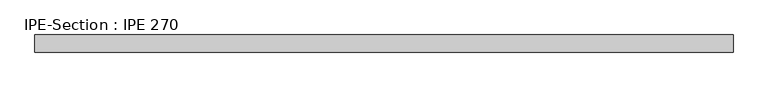
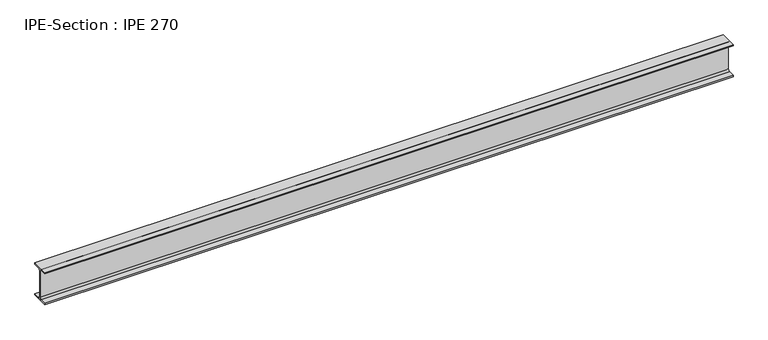
"""IFC4 building model written with IfcOpenShell, lengths in millimetres: beam geometry, IPE-Section : IPE 270."""

import ifcopenshell
import ifcopenshell.guid

model = None  # the IFC model being written
_history = None  # IfcOwnerHistory: only IFC2X3 demands one
_inside = {}  # id of a spatial element -> (the spatial element, [elements in it])
_under = {}  # id of a project, library or spatial element -> (it, [spatial elements below it])
_declared = {}  # id of a project -> (the project, [libraries it declares])
_typed = {}  # id of a type object -> (the type object, [elements of that type])
_made_of = {}  # id of a material, layer set ... -> (it, [elements and type objects made of it])


def new_model(schema):
    """Start an empty IFC model of exactly this schema.

    Asked for "IFC4X3", IfcOpenShell would pick the latest addendum, in which some entities
    have other attributes; the version numbers below select the first issue.
    IFC2X3 requires an IfcOwnerHistory on every rooted entity: one is made here for all.
    """
    global model, _history
    if schema == "IFC4X3":
        model = ifcopenshell.file(schema_version=(4, 3, 0, 0))
    else:
        model = ifcopenshell.file(schema=schema)
    _inside.clear()
    _under.clear()
    _declared.clear()
    _typed.clear()
    _made_of.clear()
    _history = None
    if model.schema == "IFC2X3":
        org = make("IfcOrganization", Name="unknown")
        user = make(
            "IfcPersonAndOrganization",
            ThePerson=make("IfcPerson", FamilyName="unknown"),
            TheOrganization=org,
        )
        app = make(
            "IfcApplication",
            ApplicationDeveloper=org,
            Version="unknown",
            ApplicationFullName="unknown",
            ApplicationIdentifier="unknown",
        )
        _history = make(
            "IfcOwnerHistory",
            OwningUser=user,
            OwningApplication=app,
            ChangeAction="ADDED",
            CreationDate=0,
        )
    return model


def make(cls, **values):
    """One entity of the class cls with the attributes given. An attribute that is None is left unset."""
    return model.create_entity(
        cls, **{name: value for name, value in values.items() if value is not None}
    )


def rooted(cls, **values):
    """An entity with a GlobalId (a new one), such as an element, a storey or a relation."""
    return make(cls, GlobalId=ifcopenshell.guid.new(), OwnerHistory=_history, **values)


def si_unit(unit_type, name, prefix=None):
    """IfcSIUnit, for example si_unit("LENGTHUNIT", "METRE", prefix="MILLI")."""
    return make("IfcSIUnit", UnitType=unit_type, Prefix=prefix, Name=name)


def assignment(units):
    """IfcUnitAssignment: the units of a project."""
    return None if units is None else make("IfcUnitAssignment", Units=units)


def point(xyz):
    """IfcCartesianPoint."""
    return None if xyz is None else make("IfcCartesianPoint", Coordinates=xyz)


def direction(xyz):
    """IfcDirection."""
    return None if xyz is None else make("IfcDirection", DirectionRatios=xyz)


def frame(location, z_axis=None, x_axis=None):
    """IfcAxis2Placement3D, a coordinate frame: its origin and axes. An axis left out is left unset."""
    return make(
        "IfcAxis2Placement3D",
        Location=point(location),
        Axis=direction(z_axis),
        RefDirection=direction(x_axis),
    )


def frame_2d(location, x_axis=None):
    """IfcAxis2Placement2D, a coordinate frame in the plane: its origin and x axis."""
    return make(
        "IfcAxis2Placement2D", Location=point(location), RefDirection=direction(x_axis)
    )


def origin():
    """The frame at (0, 0, 0) with its axes left unset."""
    return frame((0.0, 0.0, 0.0))


def place(relative_to, where):
    """IfcLocalPlacement: puts the frame where relative to a parent placement (None: the world)."""
    return make(
        "IfcLocalPlacement", PlacementRelTo=relative_to, RelativePlacement=where
    )


def context(
    kind, dimensions, precision=None, world=None, true_north=None, identifier=None
):
    """IfcGeometricRepresentationContext, for example the 3D "Model" context."""
    return make(
        "IfcGeometricRepresentationContext",
        ContextIdentifier=identifier,
        ContextType=kind,
        CoordinateSpaceDimension=dimensions,
        Precision=precision,
        WorldCoordinateSystem=world,
        TrueNorth=true_north,
    )


def project(units=None, contexts=None):
    """IfcProject with its units and contexts."""
    return rooted(
        "IfcProject",
        Name="project",
        RepresentationContexts=contexts,
        UnitsInContext=assignment(units),
    )


def spatial(cls, under=None, at=None, **own):
    """A site, building, storey or space (cls), placed at a placement, below another one or the project."""
    s = rooted(cls, ObjectPlacement=at, **own)
    if under is not None:
        _under.setdefault(under.id(), (under, []))[1].append(s)
    return s


def polyline(points):
    """IfcPolyline through the points."""
    return make("IfcPolyline", Points=[point(p) for p in points])


def circle_curve(where, radius):
    """IfcCircle in the frame where."""
    return make("IfcCircle", Position=where, Radius=radius)


def trimmed(basis, trim1, trim2, sense, master):
    """IfcTrimmedCurve: the piece of a basis curve between two trims."""
    return make(
        "IfcTrimmedCurve",
        BasisCurve=basis,
        Trim1=trim1,
        Trim2=trim2,
        SenseAgreement=sense,
        MasterRepresentation=master,
    )


def segment(curve, same_sense, transition):
    """IfcCompositeCurveSegment."""
    return make(
        "IfcCompositeCurveSegment",
        Transition=transition,
        SameSense=same_sense,
        ParentCurve=curve,
    )


def composite_curve(segments, self_intersect=None):
    """IfcCompositeCurve: segments joined end to end."""
    return make("IfcCompositeCurve", Segments=segments, SelfIntersect=self_intersect)


def outline(outer, holes=None, kind="AREA"):
    """IfcArbitraryClosedProfileDef: a profile drawn as a closed curve; with holes, ...WithVoids."""
    if holes is None:
        return make("IfcArbitraryClosedProfileDef", ProfileType=kind, OuterCurve=outer)
    return make(
        "IfcArbitraryProfileDefWithVoids",
        ProfileType=kind,
        OuterCurve=outer,
        InnerCurves=holes,
    )


def extrude(swept, where, along, depth):
    """IfcExtrudedAreaSolid: the profile swept, set in the frame where, extruded along a direction by depth."""
    return make(
        "IfcExtrudedAreaSolid",
        SweptArea=swept,
        Position=where,
        ExtrudedDirection=direction(along),
        Depth=depth,
    )


def shape(context_of_items, identifier, shape_type, items):
    """IfcShapeRepresentation: the items that make up one representation, for example the "Body"."""
    return make(
        "IfcShapeRepresentation",
        ContextOfItems=context_of_items,
        RepresentationIdentifier=identifier,
        RepresentationType=shape_type,
        Items=items,
    )


def source(mapping_origin, context_of_items, identifier, shape_type, items):
    """IfcRepresentationMap: a shape defined once, which mapped items show again and again."""
    return make(
        "IfcRepresentationMap",
        MappingOrigin=mapping_origin,
        MappedRepresentation=shape(context_of_items, identifier, shape_type, items),
    )


def transform(
    local_origin,
    x_axis=None,
    y_axis=None,
    z_axis=None,
    scale=None,
    scale2=None,
    scale3=None,
    uniform=True,
):
    """IfcCartesianTransformationOperator3D, or its non-uniform kind. x_axis, y_axis, z_axis: its Axis1, 2, 3."""
    if uniform:
        return make(
            "IfcCartesianTransformationOperator3D",
            Axis1=direction(x_axis),
            Axis2=direction(y_axis),
            LocalOrigin=point(local_origin),
            Scale=scale,
            Axis3=direction(z_axis),
        )
    return make(
        "IfcCartesianTransformationOperator3DnonUniform",
        Axis1=direction(x_axis),
        Axis2=direction(y_axis),
        LocalOrigin=point(local_origin),
        Scale=scale,
        Axis3=direction(z_axis),
        Scale2=scale2,
        Scale3=scale3,
    )


def mapped(mapping_source, mapping_target):
    """IfcMappedItem: shows the shape of a source again, moved by a transform."""
    return make(
        "IfcMappedItem", MappingSource=mapping_source, MappingTarget=mapping_target
    )


def made_of(thing, what):
    """Note that an element or type object is made of a material, layer set ...; save() writes the relation."""
    if what is not None:
        _made_of.setdefault(what.id(), (what, []))[1].append(thing)
    return thing


def element(
    cls,
    number,
    at=None,
    inside=None,
    cuts=None,
    type_object=None,
    material=None,
    context=None,
    identifier="Body",
    shape_type=None,
    held_by="IfcProductDefinitionShape",
    body=None,
    shapes=None,
    **own,
):
    """One element of the class cls, such as IfcWall. Its Tag is "e" and its number.

    at: its placement. inside: the storey or other place that contains it. cuts: it is an
    opening in that element (IfcRelVoidsElement). A single representation is given by context,
    identifier, shape_type and body (its items); several are given by shapes. held_by: the class
    of the entity that holds the representations. save() writes the other relations.
    """
    e = rooted(cls, Tag="e%d" % number, ObjectPlacement=at, **own)
    if body is not None:
        shapes = [shape(context, identifier, shape_type, body)]
    if shapes is not None:
        e.Representation = make(held_by, Representations=shapes)
    if inside is not None:
        _inside.setdefault(inside.id(), (inside, []))[1].append(e)
    if cuts is not None:
        rooted(
            "IfcRelVoidsElement", RelatingBuildingElement=cuts, RelatedOpeningElement=e
        )
    if type_object is not None:
        _typed.setdefault(type_object.id(), (type_object, []))[1].append(e)
    return made_of(e, material)


def aggregate(whole, parts):
    """IfcRelAggregates: a whole, such as a stair, and the parts it consists of."""
    return rooted("IfcRelAggregates", RelatingObject=whole, RelatedObjects=parts)


def save(model, path):
    """Write the relations noted so far, then the file.

    IfcRelAggregates (storeys below a building ...), IfcRelContainedInSpatialStructure (elements
    in a storey), IfcRelDefinesByType, IfcRelAssociatesMaterial and IfcRelDeclares: one each for
    every whole, place, type object, material and project.
    """
    for whole, parts in _under.values():
        aggregate(whole, parts)
    for where, things in _inside.values():
        rooted(
            "IfcRelContainedInSpatialStructure",
            RelatedElements=things,
            RelatingStructure=where,
        )
    for kind, things in _typed.values():
        rooted("IfcRelDefinesByType", RelatedObjects=things, RelatingType=kind)
    for what, things in _made_of.values():
        rooted("IfcRelAssociatesMaterial", RelatedObjects=things, RelatingMaterial=what)
    for by, libraries in _declared.values():
        rooted("IfcRelDeclares", RelatingContext=by, RelatedDefinitions=libraries)
    model.write(path)


def ipe_section_ipe_270_90edaeb3(model_context):
    return source(origin(), model_context, "Body", "SweptSolid", [
        extrude(outline(composite_curve([segment(polyline([(-67.5, -124.8), (-18.3, -124.8)]), True, "CONTINUOUS"), segment(trimmed(circle_curve(frame_2d((-18.3, -109.8)), 15.0), [point((-18.3, -124.8))], [point((-3.3, -109.8))], True, "CARTESIAN"), True, "CONTINUOUS"), segment(polyline([(-3.3, -109.8), (-3.3, 109.8)]), True, "CONTINUOUS"), segment(trimmed(circle_curve(frame_2d((-18.3, 109.8)), 15.0), [point((-3.3, 109.8))], [point((-18.3, 124.8))], True, "CARTESIAN"), True, "CONTINUOUS"), segment(polyline([(-18.3, 124.8), (-67.5, 124.8), (-67.5, 135.0), (67.5, 135.0), (67.5, 124.8), (18.3, 124.8)]), True, "CONTINUOUS"), segment(trimmed(circle_curve(frame_2d((18.3, 109.8)), 15.0), [point((18.3, 124.8))], [point((3.3, 109.8))], True, "CARTESIAN"), True, "CONTINUOUS"), segment(polyline([(3.3, 109.8), (3.3, -109.8)]), True, "CONTINUOUS"), segment(trimmed(circle_curve(frame_2d((18.3, -109.8)), 15.0), [point((3.3, -109.8))], [point((18.3, -124.8))], True, "CARTESIAN"), True, "CONTINUOUS"), segment(polyline([(18.3, -124.8), (67.5, -124.8), (67.5, -135.0), (-67.5, -135.0), (-67.5, -124.8)]), True, "CONTINUOUS")], self_intersect=False)), frame((-2743.9706769, 0.0, 0.0), z_axis=(1.0, 0.0, 0.0), x_axis=(0.0, 1.0, 0.0)), (0.0, 0.0, 1.0), 5487.9413538),
    ])


if __name__ == "__main__":
    model = new_model("IFC4")
    model_context = context("Model", 3, world=origin())
    ifc_project = project(units=[si_unit("LENGTHUNIT", "METRE", prefix="MILLI")], contexts=[model_context])
    site = spatial("IfcSite", under=ifc_project)
    building = spatial("IfcBuilding", under=site)
    placement = place(None, origin())
    ipe_section_ipe_270_shape = ipe_section_ipe_270_90edaeb3(model_context)
    element("IfcBeam", 1, ObjectType="IPE-Section : IPE 270", at=placement, inside=building, context=model_context, shape_type="MappedRepresentation", body=[
        mapped(ipe_section_ipe_270_shape, transform((0.0, 0.0, 0.0), x_axis=(1.0, 0.0, 0.0), y_axis=(0.0, 1.0, 0.0), z_axis=(0.0, 0.0, 1.0))),
    ])
    save(model, "model.ifc")
